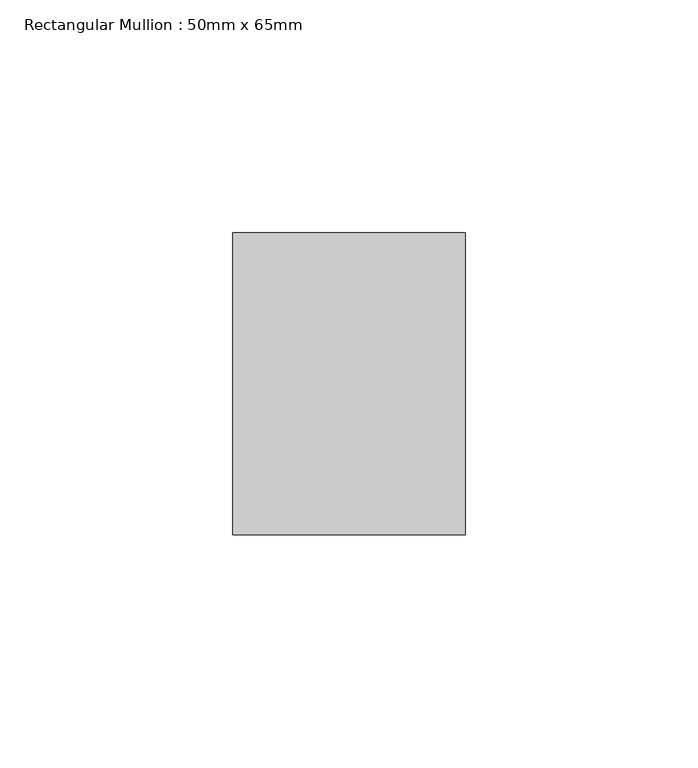
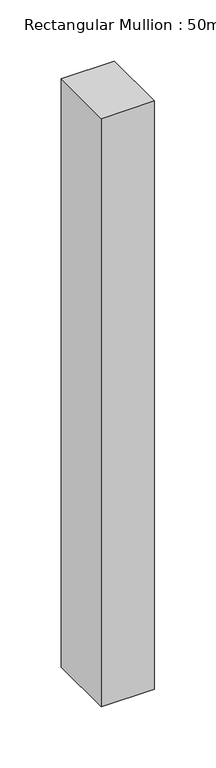
"""IFC4 building model written with IfcOpenShell, lengths in millimetres: member geometry, Rectangular Mullion : 50mm x 65mm."""

import ifcopenshell
import ifcopenshell.guid

model = None  # the IFC model being written
_history = None  # IfcOwnerHistory: only IFC2X3 demands one
_inside = {}  # id of a spatial element -> (the spatial element, [elements in it])
_under = {}  # id of a project, library or spatial element -> (it, [spatial elements below it])
_declared = {}  # id of a project -> (the project, [libraries it declares])
_typed = {}  # id of a type object -> (the type object, [elements of that type])
_made_of = {}  # id of a material, layer set ... -> (it, [elements and type objects made of it])


def new_model(schema):
    """Start an empty IFC model of exactly this schema.

    Asked for "IFC4X3", IfcOpenShell would pick the latest addendum, in which some entities
    have other attributes; the version numbers below select the first issue.
    IFC2X3 requires an IfcOwnerHistory on every rooted entity: one is made here for all.
    """
    global model, _history
    if schema == "IFC4X3":
        model = ifcopenshell.file(schema_version=(4, 3, 0, 0))
    else:
        model = ifcopenshell.file(schema=schema)
    _inside.clear()
    _under.clear()
    _declared.clear()
    _typed.clear()
    _made_of.clear()
    _history = None
    if model.schema == "IFC2X3":
        org = make("IfcOrganization", Name="unknown")
        user = make(
            "IfcPersonAndOrganization",
            ThePerson=make("IfcPerson", FamilyName="unknown"),
            TheOrganization=org,
        )
        app = make(
            "IfcApplication",
            ApplicationDeveloper=org,
            Version="unknown",
            ApplicationFullName="unknown",
            ApplicationIdentifier="unknown",
        )
        _history = make(
            "IfcOwnerHistory",
            OwningUser=user,
            OwningApplication=app,
            ChangeAction="ADDED",
            CreationDate=0,
        )
    return model


def make(cls, **values):
    """One entity of the class cls with the attributes given. An attribute that is None is left unset."""
    return model.create_entity(
        cls, **{name: value for name, value in values.items() if value is not None}
    )


def rooted(cls, **values):
    """An entity with a GlobalId (a new one), such as an element, a storey or a relation."""
    return make(cls, GlobalId=ifcopenshell.guid.new(), OwnerHistory=_history, **values)


def si_unit(unit_type, name, prefix=None):
    """IfcSIUnit, for example si_unit("LENGTHUNIT", "METRE", prefix="MILLI")."""
    return make("IfcSIUnit", UnitType=unit_type, Prefix=prefix, Name=name)


def assignment(units):
    """IfcUnitAssignment: the units of a project."""
    return None if units is None else make("IfcUnitAssignment", Units=units)


def point(xyz):
    """IfcCartesianPoint."""
    return None if xyz is None else make("IfcCartesianPoint", Coordinates=xyz)


def direction(xyz):
    """IfcDirection."""
    return None if xyz is None else make("IfcDirection", DirectionRatios=xyz)


def frame(location, z_axis=None, x_axis=None):
    """IfcAxis2Placement3D, a coordinate frame: its origin and axes. An axis left out is left unset."""
    return make(
        "IfcAxis2Placement3D",
        Location=point(location),
        Axis=direction(z_axis),
        RefDirection=direction(x_axis),
    )


def origin():
    """The frame at (0, 0, 0) with its axes left unset."""
    return frame((0.0, 0.0, 0.0))


def place(relative_to, where):
    """IfcLocalPlacement: puts the frame where relative to a parent placement (None: the world)."""
    return make(
        "IfcLocalPlacement", PlacementRelTo=relative_to, RelativePlacement=where
    )


def context(
    kind, dimensions, precision=None, world=None, true_north=None, identifier=None
):
    """IfcGeometricRepresentationContext, for example the 3D "Model" context."""
    return make(
        "IfcGeometricRepresentationContext",
        ContextIdentifier=identifier,
        ContextType=kind,
        CoordinateSpaceDimension=dimensions,
        Precision=precision,
        WorldCoordinateSystem=world,
        TrueNorth=true_north,
    )


def project(units=None, contexts=None):
    """IfcProject with its units and contexts."""
    return rooted(
        "IfcProject",
        Name="project",
        RepresentationContexts=contexts,
        UnitsInContext=assignment(units),
    )


def spatial(cls, under=None, at=None, **own):
    """A site, building, storey or space (cls), placed at a placement, below another one or the project."""
    s = rooted(cls, ObjectPlacement=at, **own)
    if under is not None:
        _under.setdefault(under.id(), (under, []))[1].append(s)
    return s


def polyline(points):
    """IfcPolyline through the points."""
    return make("IfcPolyline", Points=[point(p) for p in points])


def outline(outer, holes=None, kind="AREA"):
    """IfcArbitraryClosedProfileDef: a profile drawn as a closed curve; with holes, ...WithVoids."""
    if holes is None:
        return make("IfcArbitraryClosedProfileDef", ProfileType=kind, OuterCurve=outer)
    return make(
        "IfcArbitraryProfileDefWithVoids",
        ProfileType=kind,
        OuterCurve=outer,
        InnerCurves=holes,
    )


def extrude(swept, where, along, depth):
    """IfcExtrudedAreaSolid: the profile swept, set in the frame where, extruded along a direction by depth."""
    return make(
        "IfcExtrudedAreaSolid",
        SweptArea=swept,
        Position=where,
        ExtrudedDirection=direction(along),
        Depth=depth,
    )


def shape(context_of_items, identifier, shape_type, items):
    """IfcShapeRepresentation: the items that make up one representation, for example the "Body"."""
    return make(
        "IfcShapeRepresentation",
        ContextOfItems=context_of_items,
        RepresentationIdentifier=identifier,
        RepresentationType=shape_type,
        Items=items,
    )


def source(mapping_origin, context_of_items, identifier, shape_type, items):
    """IfcRepresentationMap: a shape defined once, which mapped items show again and again."""
    return make(
        "IfcRepresentationMap",
        MappingOrigin=mapping_origin,
        MappedRepresentation=shape(context_of_items, identifier, shape_type, items),
    )


def transform(
    local_origin,
    x_axis=None,
    y_axis=None,
    z_axis=None,
    scale=None,
    scale2=None,
    scale3=None,
    uniform=True,
):
    """IfcCartesianTransformationOperator3D, or its non-uniform kind. x_axis, y_axis, z_axis: its Axis1, 2, 3."""
    if uniform:
        return make(
            "IfcCartesianTransformationOperator3D",
            Axis1=direction(x_axis),
            Axis2=direction(y_axis),
            LocalOrigin=point(local_origin),
            Scale=scale,
            Axis3=direction(z_axis),
        )
    return make(
        "IfcCartesianTransformationOperator3DnonUniform",
        Axis1=direction(x_axis),
        Axis2=direction(y_axis),
        LocalOrigin=point(local_origin),
        Scale=scale,
        Axis3=direction(z_axis),
        Scale2=scale2,
        Scale3=scale3,
    )


def mapped(mapping_source, mapping_target):
    """IfcMappedItem: shows the shape of a source again, moved by a transform."""
    return make(
        "IfcMappedItem", MappingSource=mapping_source, MappingTarget=mapping_target
    )


def made_of(thing, what):
    """Note that an element or type object is made of a material, layer set ...; save() writes the relation."""
    if what is not None:
        _made_of.setdefault(what.id(), (what, []))[1].append(thing)
    return thing


def element(
    cls,
    number,
    at=None,
    inside=None,
    cuts=None,
    type_object=None,
    material=None,
    context=None,
    identifier="Body",
    shape_type=None,
    held_by="IfcProductDefinitionShape",
    body=None,
    shapes=None,
    **own,
):
    """One element of the class cls, such as IfcWall. Its Tag is "e" and its number.

    at: its placement. inside: the storey or other place that contains it. cuts: it is an
    opening in that element (IfcRelVoidsElement). A single representation is given by context,
    identifier, shape_type and body (its items); several are given by shapes. held_by: the class
    of the entity that holds the representations. save() writes the other relations.
    """
    e = rooted(cls, Tag="e%d" % number, ObjectPlacement=at, **own)
    if body is not None:
        shapes = [shape(context, identifier, shape_type, body)]
    if shapes is not None:
        e.Representation = make(held_by, Representations=shapes)
    if inside is not None:
        _inside.setdefault(inside.id(), (inside, []))[1].append(e)
    if cuts is not None:
        rooted(
            "IfcRelVoidsElement", RelatingBuildingElement=cuts, RelatedOpeningElement=e
        )
    if type_object is not None:
        _typed.setdefault(type_object.id(), (type_object, []))[1].append(e)
    return made_of(e, material)


def aggregate(whole, parts):
    """IfcRelAggregates: a whole, such as a stair, and the parts it consists of."""
    return rooted("IfcRelAggregates", RelatingObject=whole, RelatedObjects=parts)


def save(model, path):
    """Write the relations noted so far, then the file.

    IfcRelAggregates (storeys below a building ...), IfcRelContainedInSpatialStructure (elements
    in a storey), IfcRelDefinesByType, IfcRelAssociatesMaterial and IfcRelDeclares: one each for
    every whole, place, type object, material and project.
    """
    for whole, parts in _under.values():
        aggregate(whole, parts)
    for where, things in _inside.values():
        rooted(
            "IfcRelContainedInSpatialStructure",
            RelatedElements=things,
            RelatingStructure=where,
        )
    for kind, things in _typed.values():
        rooted("IfcRelDefinesByType", RelatedObjects=things, RelatingType=kind)
    for what, things in _made_of.values():
        rooted("IfcRelAssociatesMaterial", RelatedObjects=things, RelatingMaterial=what)
    for by, libraries in _declared.values():
        rooted("IfcRelDeclares", RelatingContext=by, RelatedDefinitions=libraries)
    model.write(path)


def rectangular_mullion_50mm_x_65mm_d0168485(model_context):
    return source(origin(), model_context, "Body", "SweptSolid", [
        extrude(outline(polyline([(25.0, 32.5), (25.0, -32.5), (-25.0, -32.5), (-25.0, 32.5), (25.0, 32.5)])), frame((0.0, 0.0, -585.2035574), z_axis=(0.0, 0.0, 1.0), x_axis=(1.0, 0.0, 0.0)), (0.0, 0.0, 1.0), 585.2035574),
    ])


if __name__ == "__main__":
    model = new_model("IFC4")
    model_context = context("Model", 3, world=origin())
    ifc_project = project(units=[si_unit("LENGTHUNIT", "METRE", prefix="MILLI")], contexts=[model_context])
    site = spatial("IfcSite", under=ifc_project)
    building = spatial("IfcBuilding", under=site)
    placement = place(None, origin())
    rectangular_mullion_50mm_x_65mm_shape = rectangular_mullion_50mm_x_65mm_d0168485(model_context)
    element("IfcMember", 1, ObjectType="Rectangular Mullion : 50mm x 65mm", at=placement, inside=building, context=model_context, shape_type="MappedRepresentation", body=[
        mapped(rectangular_mullion_50mm_x_65mm_shape, transform((0.0, 0.0, 0.0), x_axis=(1.0, 0.0, 0.0), y_axis=(0.0, 1.0, 0.0), z_axis=(0.0, 0.0, 1.0))),
    ])
    save(model, "model.ifc")
